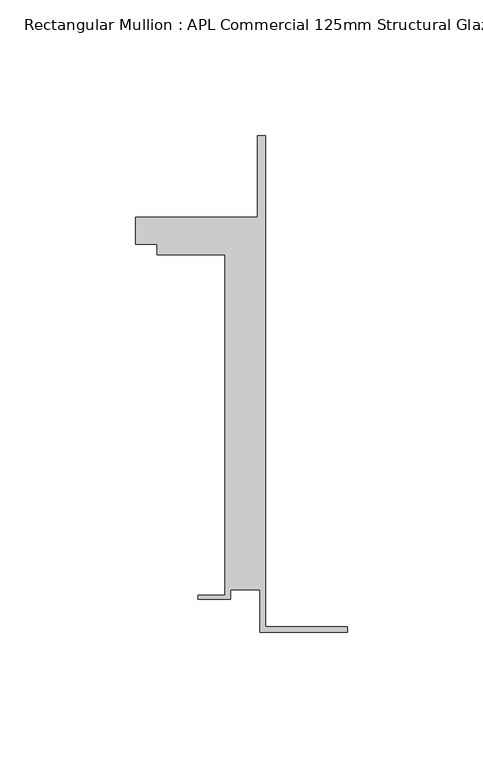
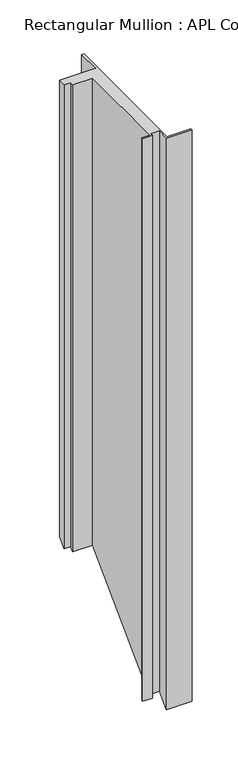
"""IFC4 building model written with IfcOpenShell, lengths in millimetres: member geometry, Rectangular Mullion : APL Commercial 125mm Structural Glaze SubSill."""

from ifc_helpers import new_model, si_unit, origin, place, context, project, spatial, faceted_brep, source, transform, mapped, element, save


def rectangular_mullion_apl_commercial_125mm_structural_glaze_b3ab9d4d(model_context):
    return source(origin(), model_context, "Body", "Brep", [
        faceted_brep([(-32.1465839, -41.25, 0.0), (0.0, -41.25, 0.0), (0.0, -39.25, 0.0), (-30.1465839, -39.25, 0.0), (-30.1465839, 141.75, 0.0), (-33.1466122, 141.75, 0.0), (-33.1466122, 111.75, 0.0), (-78.1466122, 111.75, 0.0), (-78.1466122, 101.75, 0.0), (-70.1466122, 101.75, 0.0), (-70.1466122, 97.75, 0.0), (-45.1465839, 97.75, 0.0), (-45.1465839, -27.75, 0.0), (-55.1465839, -27.75, 0.0), (-55.1465839, -29.25, 0.0), (-43.1465839, -29.25, 0.0), (-43.1465839, -25.75, 0.0), (-32.1465839, -25.75, 0.0), (-32.1465839, -41.25, -758.8987705), (0.0, -41.25, -758.8987705), (0.0, -39.25, -756.8987705), (-30.1465839, -39.25, -756.8987705), (-30.1465839, 141.75, -575.8987705), (-33.1466122, 141.75, -575.8987705), (-33.1466122, 111.75, -605.8987705), (-78.1466122, 111.75, -605.8987705), (-78.1466122, 101.75, -615.8987705), (-70.1466122, 101.75, -615.8987705), (-70.1466122, 97.75, -619.8987705), (-45.1465839, 97.75, -619.8987705), (-45.1465839, -27.75, -745.3987705), (-55.1465839, -27.75, -745.3987705), (-55.1465839, -29.25, -746.8987705), (-43.1465839, -29.25, -746.8987705), (-43.1465839, -25.75, -743.3987705), (-32.1465839, -25.75, -743.3987705)], [[[0, 1, 2, 3, 4, 5, 6, 7, 8, 9, 10, 11, 12, 13, 14, 15, 16, 17]], [[1, 0, 18, 19]], [[2, 1, 19, 20]], [[3, 2, 20, 21]], [[4, 3, 21, 22]], [[5, 4, 22, 23]], [[6, 5, 23, 24]], [[7, 6, 24, 25]], [[8, 7, 25, 26]], [[9, 8, 26, 27]], [[10, 9, 27, 28]], [[11, 10, 28, 29]], [[12, 11, 29, 30]], [[13, 12, 30, 31]], [[14, 13, 31, 32]], [[15, 14, 32, 33]], [[16, 15, 33, 34]], [[17, 16, 34, 35]], [[0, 17, 35, 18]], [[18, 35, 34, 33, 32, 31, 30, 29, 28, 27, 26, 25, 24, 23, 22, 21, 20, 19]]]),
    ])


if __name__ == "__main__":
    model = new_model("IFC4")
    model_context = context("Model", 3, world=origin())
    ifc_project = project(units=[si_unit("LENGTHUNIT", "METRE", prefix="MILLI")], contexts=[model_context])
    site = spatial("IfcSite", under=ifc_project)
    building = spatial("IfcBuilding", under=site)
    placement = place(None, origin())
    rectangular_mullion_apl_commercial_125mm_structural_glaze_shape = rectangular_mullion_apl_commercial_125mm_structural_glaze_b3ab9d4d(model_context)
    element("IfcMember", 1, ObjectType="Rectangular Mullion : APL Commercial 125mm Structural Glaze SubSill", at=placement, inside=building, context=model_context, shape_type="MappedRepresentation", body=[
        mapped(rectangular_mullion_apl_commercial_125mm_structural_glaze_shape, transform((0.0, 0.0, 0.0), x_axis=(1.0, 0.0, 0.0), y_axis=(0.0, 1.0, 0.0), z_axis=(0.0, 0.0, 1.0))),
    ])
    save(model, "model.ifc")
